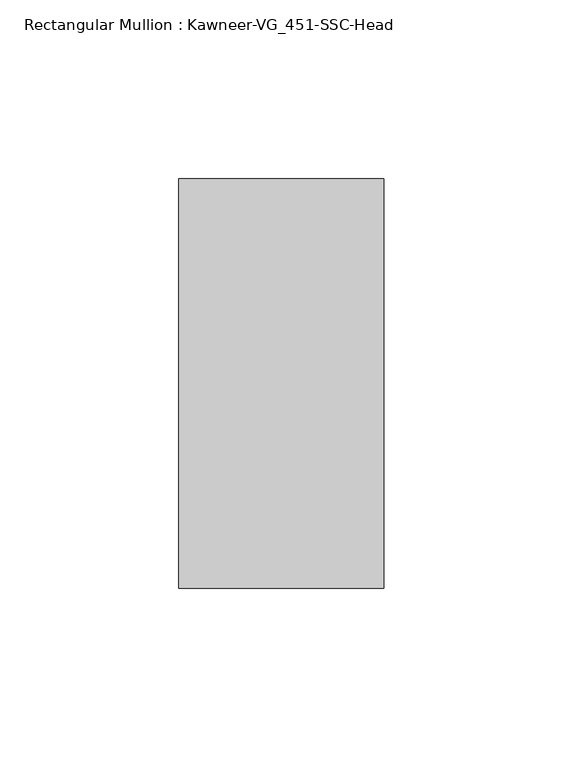
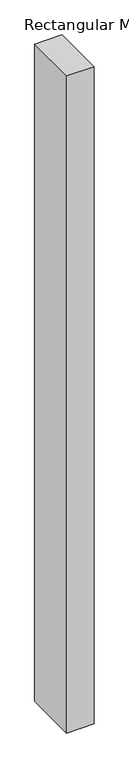
"""IFC4 building model written with IfcOpenShell, lengths in millimetres: member geometry, Rectangular Mullion : Kawneer-VG_451-SSC-Head."""

from ifc_helpers import new_model, si_unit, frame, origin, place, context, project, spatial, polyline, outline, extrude, source, transform, mapped, element, save


def rectangular_mullion_kawneer_vg_451_ssc_head_1aaa4fa9(model_context):
    return source(origin(), model_context, "Body", "SweptSolid", [
        extrude(outline(polyline([(-57.15, -57.15), (-57.15, 57.15), (0.0, 57.15), (0.0, -57.15), (-57.15, -57.15)])), frame((0.0, 0.0, -1441.45), z_axis=(0.0, 0.0, 1.0), x_axis=(1.0, 0.0, 0.0)), (0.0, 0.0, 1.0), 1441.45),
    ])


if __name__ == "__main__":
    model = new_model("IFC4")
    model_context = context("Model", 3, world=origin())
    ifc_project = project(units=[si_unit("LENGTHUNIT", "METRE", prefix="MILLI")], contexts=[model_context])
    site = spatial("IfcSite", under=ifc_project)
    building = spatial("IfcBuilding", under=site)
    placement = place(None, origin())
    rectangular_mullion_kawneer_vg_451_ssc_head_shape = rectangular_mullion_kawneer_vg_451_ssc_head_1aaa4fa9(model_context)
    element("IfcMember", 1, ObjectType="Rectangular Mullion : Kawneer-VG_451-SSC-Head", at=placement, inside=building, context=model_context, shape_type="MappedRepresentation", body=[
        mapped(rectangular_mullion_kawneer_vg_451_ssc_head_shape, transform((0.0, 0.0, 0.0), x_axis=(1.0, 0.0, 0.0), y_axis=(0.0, 1.0, 0.0), z_axis=(0.0, 0.0, 1.0))),
    ])
    save(model, "model.ifc")
